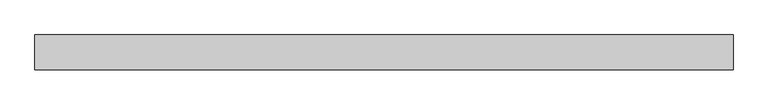
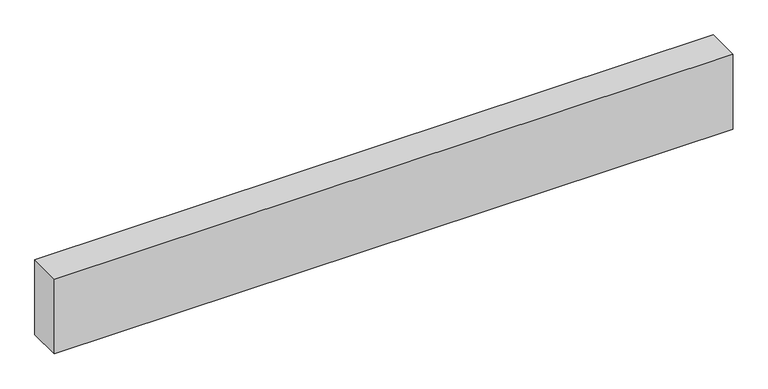
"""IFC4 building model written with IfcOpenShell, lengths in millimetres: proxy geometry."""

from ifc_helpers import new_model, si_unit, origin, origin_with_axes, place, context, project, spatial, polyline, outline, extrude, source, transform, mapped, element, save


def generic_models_a7945c58(model_context):
    return source(origin(), model_context, "Body", "SweptSolid", [
        extrude(outline(polyline([(0.0, -300.0), (-6000.0, -300.0), (-6000.0, 0.0), (0.0, 0.0), (0.0, -300.0)])), origin_with_axes(), (0.0, 0.0, 1.0), 700.0),
    ])


if __name__ == "__main__":
    model = new_model("IFC4")
    model_context = context("Model", 3, world=origin())
    ifc_project = project(units=[si_unit("LENGTHUNIT", "METRE", prefix="MILLI")], contexts=[model_context])
    site = spatial("IfcSite", under=ifc_project)
    building = spatial("IfcBuilding", under=site)
    placement = place(None, origin())
    generic_models_shape = generic_models_a7945c58(model_context)
    element("IfcBuildingElementProxy", 1, Name="Generic Models", at=placement, inside=building, context=model_context, shape_type="MappedRepresentation", body=[
        mapped(generic_models_shape, transform((0.0, 0.0, 0.0), x_axis=(1.0, 0.0, 0.0), y_axis=(0.0, 1.0, 0.0), z_axis=(0.0, 0.0, 1.0))),
    ])
    save(model, "model.ifc")
